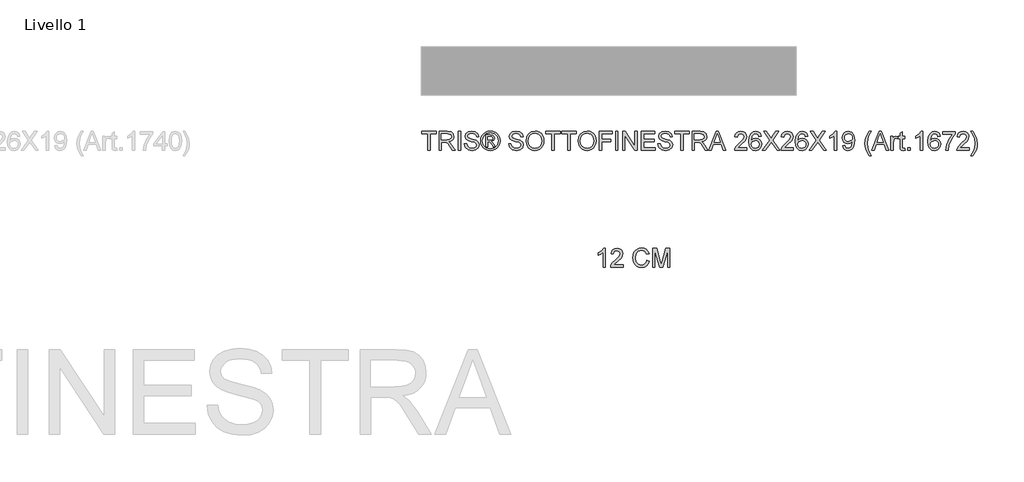
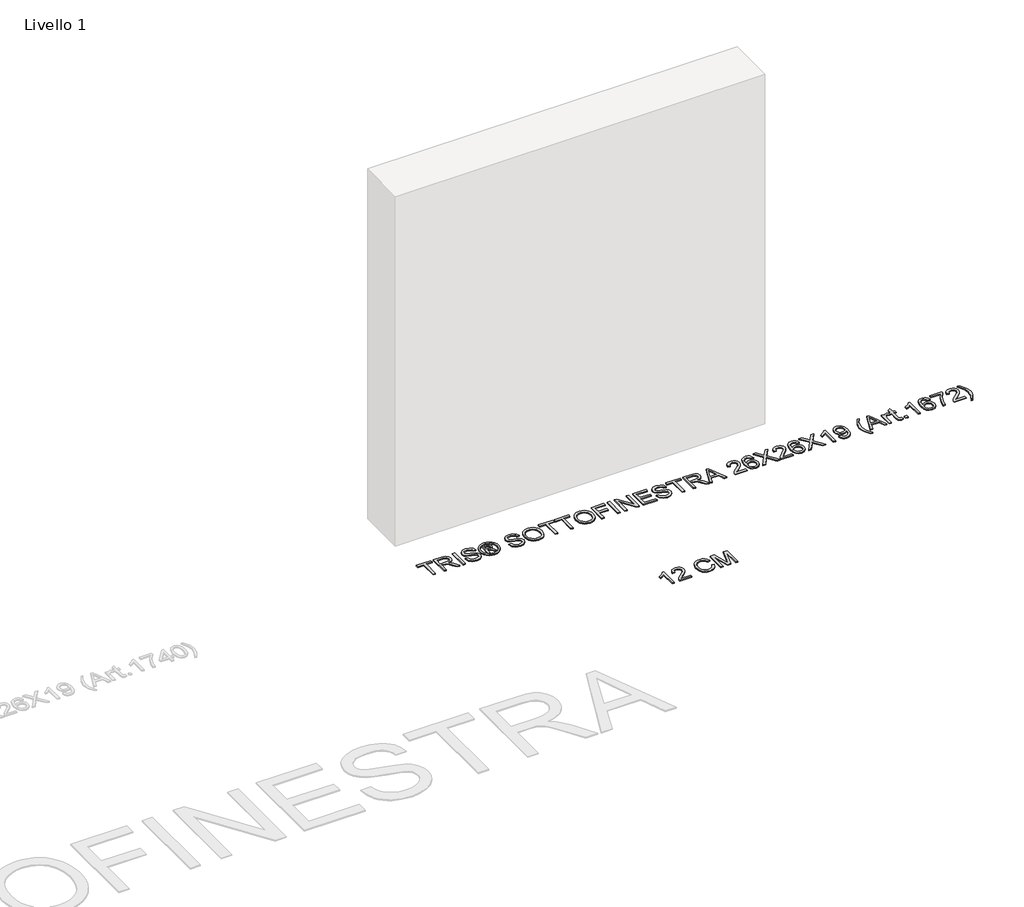
# One storey, part 19 of 19: 2 proxies.
"""IFC4 building model written with IfcOpenShell, lengths in millimetres."""

from ifc_helpers import new_model, si_unit, origin, origin_with_axes, place, context, project, spatial, polyline, outline, extrude, element, save

model = new_model("IFC4")

# Units and contexts
model_context = context("Model", 3, world=origin())
ifc_project = project(units=[si_unit("LENGTHUNIT", "METRE", prefix="MILLI")], contexts=[model_context])

# Site, building, storey
site = spatial("IfcSite", under=ifc_project)
building = spatial("IfcBuilding", under=site)
storey = spatial("IfcBuildingStorey", under=building, Name="Livello 1", Elevation=0.0)

# Proxies
placement = place(None, origin())
element("IfcBuildingElementProxy", 1, Name="100", ObjectType="100", at=placement, inside=storey, context=model_context, shape_type="SweptSolid", body=[
    extrude(outline(polyline([(3099.3895792, 5626.2547253), (3099.3895792, 5714.1539967), (3066.4273524, 5714.1539967), (3066.4273524, 5726.7110355), (3144.9088447, 5726.7110355), (3144.9088447, 5714.1539967), (3111.946618, 5714.1539967), (3111.946618, 5626.2547253), (3099.3895792, 5626.2547253)])), origin_with_axes(), (0.0, 0.0, 1.0), 5.0),
    extrude(outline(polyline([(3159.0355134, 5626.2547253), (3159.0355134, 5726.7110355), (3202.3229615, 5726.7110355), (3222.4215811, 5724.0009714), (3233.40899, 5714.4115141), (3237.5170057, 5699.2179877), (3235.8155514, 5689.321962), (3230.7111888, 5681.1181935), (3222.0506334, 5675.1033229), (3209.6806014, 5671.7739909), (3216.8175121, 5666.4029137), (3226.9955806, 5653.477993), (3243.7464741, 5626.2547253), (3229.1538216, 5626.2547253), (3216.0817481, 5647.0768463), (3206.6394435, 5660.8601583), (3200.0053049, 5667.3716697), (3194.0333538, 5669.7629026), (3186.7492903, 5670.204361), (3171.5925521, 5670.204361), (3171.5925521, 5626.2547253), (3159.0355134, 5626.2547253)]), holes=[polyline([(3171.5925521, 5682.7613998), (3199.6987366, 5682.7613998), (3214.0338716, 5684.5394961), (3222.1763265, 5690.2294043), (3224.9599669, 5698.7520038), (3219.6502034, 5709.8129892), (3202.8625217, 5714.1539967), (3171.5925521, 5714.1539967), (3171.5925521, 5682.7613998)])]), origin_with_axes(), (0.0, 0.0, 1.0), 5.0),
    extrude(outline(polyline([(3261.0614534, 5626.2547253), (3261.0614534, 5726.7110355), (3273.6184921, 5726.7110355), (3273.6184921, 5626.2547253), (3261.0614534, 5626.2547253)])), origin_with_axes(), (0.0, 0.0, 1.0), 5.0),
    extrude(outline(polyline([(3294.0236801, 5660.7865819), (3306.5807189, 5660.7865819), (3310.6274208, 5648.2172804), (3320.5111838, 5640.2710293), (3335.5698201, 5637.2421342), (3348.6909446, 5639.5352654), (3357.1644932, 5645.8383102), (3359.9481337, 5654.2628079), (3357.863469, 5662.0986944), (3349.3286067, 5667.8008653), (3331.0448716, 5672.595594), (3311.3631848, 5678.7882742), (3300.6823442, 5688.1324769), (3297.1629398, 5700.6159393), (3301.5162101, 5714.828447), (3314.2326644, 5724.8593628), (3332.8474933, 5728.2806653), (3352.7131211, 5724.6999472), (3365.9568729, 5714.1785222), (3370.9355426, 5698.4576982), (3358.3785038, 5698.4576982), (3356.07311, 5705.9502282), (3351.2661186, 5711.3580935), (3333.3380027, 5715.7236266), (3315.3608358, 5711.4071445), (3309.7199786, 5700.9838213), (3313.7176296, 5692.2772807), (3334.2209195, 5685.2629974), (3356.440992, 5678.9599525), (3368.5933605, 5668.781884), (3372.5051724, 5654.581639), (3368.0047494, 5639.5597908), (3355.0553031, 5628.5969074), (3336.0603294, 5624.6850955), (3313.6317905, 5628.9034757), (3299.4438082, 5641.6076673), (3294.0236801, 5660.7865819)])), origin_with_axes(), (0.0, 0.0, 1.0), 5.0),
    extrude(outline(polyline([(3408.6066589, 5645.0902835), (3408.6066589, 5707.8754773), (3428.8892196, 5707.8754773), (3443.9478559, 5706.1464319), (3451.3668095, 5700.1131672), (3454.1259244, 5690.9529055), (3449.367984, 5679.0335289), (3436.7618942, 5673.3436207), (3441.6669875, 5670.0081573), (3450.2263753, 5657.475644), (3457.2651841, 5645.0902835), (3446.6701827, 5645.0902835), (3441.1519527, 5655.0476228), (3431.9058519, 5669.468597), (3423.8860244, 5671.7739909), (3418.024438, 5671.7739909), (3418.024438, 5645.0902835), (3408.6066589, 5645.0902835)]), holes=[polyline([(3418.024438, 5681.1917699), (3429.9438146, 5681.1917699), (3441.5934111, 5683.5830029), (3444.7081453, 5689.922836), (3443.2120919, 5694.4845727), (3439.0550254, 5697.4766796), (3429.1835251, 5698.4576982), (3418.024438, 5698.4576982), (3418.024438, 5681.1917699)])]), origin_with_axes(), (0.0, 0.0, 1.0), 5.0),
    extrude(outline(polyline([(3432.175632, 5728.2806653), (3445.069896, 5726.6068022), (3457.6575916, 5721.585213), (3468.7155112, 5713.4488896), (3477.0204473, 5702.4308238), (3482.2167804, 5689.7082381), (3483.9488915, 5676.4583549), (3482.2413059, 5663.3249677), (3477.1185491, 5650.7066153), (3468.9147806, 5639.7284034), (3457.9641599, 5631.5154379), (3445.3550045, 5626.3926811), (3432.175632, 5624.6850955), (3419.0146537, 5626.3926811), (3406.4116296, 5631.5154379), (3395.4518119, 5639.7284034), (3387.2204522, 5650.7066153), (3382.0701043, 5663.3249677), (3380.3533217, 5676.4583549), (3382.0946298, 5689.7082381), (3387.3185541, 5702.4308238), (3395.6510813, 5713.4488896), (3406.718198, 5721.585213), (3419.2997622, 5726.6068022), (3432.175632, 5728.2806653)]), holes=[polyline([(3432.175632, 5718.8628862), (3411.3535111, 5713.3814445), (3402.3250738, 5706.7197147), (3395.4977971, 5697.6974088), (3389.7711007, 5676.4583549), (3395.3874325, 5655.4032421), (3411.1082565, 5639.7192064), (3432.175632, 5634.1028746), (3453.2552704, 5639.7192064), (3468.9393061, 5655.4032421), (3474.5311124, 5676.4583549), (3468.8412042, 5697.6974088), (3462.0323216, 5706.7197147), (3452.9854902, 5713.3814445), (3432.175632, 5718.8628862)])]), origin_with_axes(), (0.0, 0.0, 1.0), 5.0),
    extrude(outline(polyline([(3529.468157, 5660.7865819), (3542.0251958, 5660.7865819), (3546.0718977, 5648.2172804), (3555.9556607, 5640.2710293), (3571.014297, 5637.2421342), (3584.1354215, 5639.5352654), (3592.6089701, 5645.8383102), (3595.3926106, 5654.2628079), (3593.3079459, 5662.0986944), (3584.7730836, 5667.8008653), (3566.4893485, 5672.595594), (3546.8076617, 5678.7882742), (3536.1268211, 5688.1324769), (3532.6074167, 5700.6159393), (3536.960687, 5714.828447), (3549.6771413, 5724.8593628), (3568.2919703, 5728.2806653), (3588.157598, 5724.6999472), (3601.4013498, 5714.1785222), (3606.3800195, 5698.4576982), (3593.8229807, 5698.4576982), (3591.5175869, 5705.9502282), (3586.7105955, 5711.3580935), (3568.7824796, 5715.7236266), (3550.8053128, 5711.4071445), (3545.1644555, 5700.9838213), (3549.1621065, 5692.2772807), (3569.6653964, 5685.2629974), (3591.8854689, 5678.9599525), (3604.0378375, 5668.781884), (3607.9496493, 5654.581639), (3603.4492263, 5639.5597908), (3590.49978, 5628.5969074), (3571.5048063, 5624.6850955), (3549.0762674, 5628.9034757), (3534.8882851, 5641.6076673), (3529.468157, 5660.7865819)])), origin_with_axes(), (0.0, 0.0, 1.0), 5.0),
    extrude(outline(polyline([(3622.076318, 5675.1585052), (3625.4240441, 5697.3724464), (3635.4672226, 5714.1785222), (3650.8017704, 5724.7551295), (3670.0236047, 5728.2806653), (3683.1999115, 5726.6251963), (3695.0150549, 5721.6587894), (3704.8252414, 5713.7309324), (3711.9866776, 5703.1911133), (3716.3644733, 5690.5482354), (3717.8237386, 5676.3112021), (3716.2878312, 5661.8840966), (3711.6801092, 5649.063409), (3704.2550243, 5638.5051958), (3694.2670281, 5630.865513), (3682.5530523, 5626.2301999), (3669.9500283, 5624.6850955), (3656.5713864, 5626.3926811), (3644.6887979, 5631.5154379), (3634.9031369, 5639.5904477), (3627.8152771, 5650.1547923), (3622.076318, 5675.1585052)]), holes=[polyline([(3634.6333567, 5675.0358779), (3637.1441513, 5659.3211853), (3644.6765352, 5647.3466264), (3655.9981036, 5639.7682573), (3669.8764519, 5637.2421342), (3683.9571352, 5639.7927827), (3695.2970977, 5647.4447282), (3702.7742993, 5659.7871692), (3705.2666998, 5676.409304), (3700.9992687, 5697.1333231), (3688.528069, 5710.8553215), (3670.0971811, 5715.7236266), (3656.5897805, 5713.3783788), (3645.1057309, 5706.3426357), (3637.2514503, 5693.8254508), (3634.6333567, 5675.0358779)])]), origin_with_axes(), (0.0, 0.0, 1.0), 5.0),
    extrude(outline(polyline([(3760.2037444, 5626.2547253), (3760.2037444, 5714.1539967), (3727.2415176, 5714.1539967), (3727.2415176, 5726.7110355), (3805.7230099, 5726.7110355), (3805.7230099, 5714.1539967), (3772.7607832, 5714.1539967), (3772.7607832, 5626.2547253), (3760.2037444, 5626.2547253)])), origin_with_axes(), (0.0, 0.0, 1.0), 5.0),
    extrude(outline(polyline([(3844.9637561, 5626.2547253), (3844.9637561, 5714.1539967), (3812.0015293, 5714.1539967), (3812.0015293, 5726.7110355), (3890.4830216, 5726.7110355), (3890.4830216, 5714.1539967), (3857.5207949, 5714.1539967), (3857.5207949, 5626.2547253), (3844.9637561, 5626.2547253)])), origin_with_axes(), (0.0, 0.0, 1.0), 5.0),
    extrude(outline(polyline([(3899.9008007, 5675.1585052), (3903.2485269, 5697.3724464), (3913.2917053, 5714.1785222), (3928.6262532, 5724.7551295), (3947.8480874, 5728.2806653), (3961.0243942, 5726.6251963), (3972.8395376, 5721.6587894), (3982.6497242, 5713.7309324), (3989.8111603, 5703.1911133), (3994.1889561, 5690.5482354), (3995.6482213, 5676.3112021), (3994.112314, 5661.8840966), (3989.504592, 5649.063409), (3982.0795071, 5638.5051958), (3972.0915109, 5630.865513), (3960.377535, 5626.2301999), (3947.774511, 5624.6850955), (3934.3958691, 5626.3926811), (3922.5132807, 5631.5154379), (3912.7276196, 5639.5904477), (3905.6397598, 5650.1547923), (3899.9008007, 5675.1585052)]), holes=[polyline([(3912.4578395, 5675.0358779), (3914.9686341, 5659.3211853), (3922.5010179, 5647.3466264), (3933.8225863, 5639.7682573), (3947.7009346, 5637.2421342), (3961.781618, 5639.7927827), (3973.1215805, 5647.4447282), (3980.598782, 5659.7871692), (3983.0911826, 5676.409304), (3978.8237514, 5697.1333231), (3966.3525518, 5710.8553215), (3947.9216638, 5715.7236266), (3934.4142632, 5713.3783788), (3922.9302136, 5706.3426357), (3915.075933, 5693.8254508), (3912.4578395, 5675.0358779)])]), origin_with_axes(), (0.0, 0.0, 1.0), 5.0),
    extrude(outline(polyline([(4012.9141496, 5626.2547253), (4012.9141496, 5726.7110355), (4080.408233, 5726.7110355), (4080.408233, 5714.1539967), (4025.4711884, 5714.1539967), (4025.4711884, 5684.3310296), (4072.5600838, 5684.3310296), (4072.5600838, 5671.7739909), (4025.4711884, 5671.7739909), (4025.4711884, 5626.2547253), (4012.9141496, 5626.2547253)])), origin_with_axes(), (0.0, 0.0, 1.0), 5.0),
    extrude(outline(polyline([(4099.2437912, 5626.2547253), (4099.2437912, 5726.7110355), (4111.8008299, 5726.7110355), (4111.8008299, 5626.2547253), (4099.2437912, 5626.2547253)])), origin_with_axes(), (0.0, 0.0, 1.0), 5.0),
    extrude(outline(polyline([(4136.9149075, 5626.2547253), (4136.9149075, 5726.7110355), (4150.354863, 5726.7110355), (4202.839361, 5647.1258972), (4202.839361, 5726.7110355), (4215.3963998, 5726.7110355), (4215.3963998, 5626.2547253), (4201.9564442, 5626.2547253), (4149.4719462, 5705.8643891), (4149.4719462, 5626.2547253), (4136.9149075, 5626.2547253)])), origin_with_axes(), (0.0, 0.0, 1.0), 5.0),
    extrude(outline(polyline([(4237.3712176, 5626.2547253), (4237.3712176, 5726.7110355), (4309.5741905, 5726.7110355), (4309.5741905, 5714.1539967), (4249.9282564, 5714.1539967), (4249.9282564, 5684.3310296), (4306.4349308, 5684.3310296), (4306.4349308, 5671.7739909), (4249.9282564, 5671.7739909), (4249.9282564, 5638.8117641), (4311.1438204, 5638.8117641), (4311.1438204, 5626.2547253), (4237.3712176, 5626.2547253)])), origin_with_axes(), (0.0, 0.0, 1.0), 5.0),
    extrude(outline(polyline([(4325.270489, 5660.7865819), (4337.8275278, 5660.7865819), (4341.8742297, 5648.2172804), (4351.7579927, 5640.2710293), (4366.816629, 5637.2421342), (4379.9377535, 5639.5352654), (4388.4113021, 5645.8383102), (4391.1949425, 5654.2628079), (4389.1102779, 5662.0986944), (4380.5754156, 5667.8008653), (4362.2916804, 5672.595594), (4342.6099937, 5678.7882742), (4331.9291531, 5688.1324769), (4328.4097487, 5700.6159393), (4332.763019, 5714.828447), (4345.4794733, 5724.8593628), (4364.0943022, 5728.2806653), (4383.95993, 5724.6999472), (4397.2036818, 5714.1785222), (4402.1823515, 5698.4576982), (4389.6253127, 5698.4576982), (4387.3199189, 5705.9502282), (4382.5129274, 5711.3580935), (4364.5848116, 5715.7236266), (4346.6076447, 5711.4071445), (4340.9667875, 5700.9838213), (4344.9644385, 5692.2772807), (4365.4677283, 5685.2629974), (4387.6878008, 5678.9599525), (4399.8401694, 5668.781884), (4403.7519813, 5654.581639), (4399.2515582, 5639.5597908), (4386.302112, 5628.5969074), (4367.3071383, 5624.6850955), (4344.8785993, 5628.9034757), (4330.6906171, 5641.6076673), (4325.270489, 5660.7865819)])), origin_with_axes(), (0.0, 0.0, 1.0), 5.0),
    extrude(outline(polyline([(4447.701617, 5626.2547253), (4447.701617, 5714.1539967), (4414.7393902, 5714.1539967), (4414.7393902, 5726.7110355), (4493.2208825, 5726.7110355), (4493.2208825, 5714.1539967), (4460.2586558, 5714.1539967), (4460.2586558, 5626.2547253), (4447.701617, 5626.2547253)])), origin_with_axes(), (0.0, 0.0, 1.0), 5.0),
    extrude(outline(polyline([(4507.3475511, 5626.2547253), (4507.3475511, 5726.7110355), (4550.6349992, 5726.7110355), (4570.7336189, 5724.0009714), (4581.7210278, 5714.4115141), (4585.8290435, 5699.2179877), (4584.1275892, 5689.321962), (4579.0232265, 5681.1181935), (4570.3626712, 5675.1033229), (4557.9926391, 5671.7739909), (4565.1295499, 5666.4029137), (4575.3076184, 5653.477993), (4592.0585119, 5626.2547253), (4577.4658594, 5626.2547253), (4564.3937859, 5647.0768463), (4554.9514813, 5660.8601583), (4548.3173427, 5667.3716697), (4542.3453916, 5669.7629026), (4535.0613281, 5670.204361), (4519.9045899, 5670.204361), (4519.9045899, 5626.2547253), (4507.3475511, 5626.2547253)]), holes=[polyline([(4519.9045899, 5682.7613998), (4548.0107743, 5682.7613998), (4562.3459094, 5684.5394961), (4570.4883643, 5690.2294043), (4573.2720047, 5698.7520038), (4567.9622412, 5709.8129892), (4551.1745595, 5714.1539967), (4519.9045899, 5714.1539967), (4519.9045899, 5682.7613998)])]), origin_with_axes(), (0.0, 0.0, 1.0), 5.0),
    extrude(outline(polyline([(4596.1052138, 5626.2547253), (4636.2043513, 5726.7110355), (4646.8974546, 5726.7110355), (4686.9965921, 5626.2547253), (4673.7283148, 5626.2547253), (4662.2258711, 5657.6473222), (4620.8514094, 5657.6473222), (4609.3734911, 5626.2547253), (4596.1052138, 5626.2547253)]), holes=[polyline([(4625.4621971, 5670.204361), (4657.6396089, 5670.204361), (4648.5897118, 5694.9015056), (4641.550903, 5714.1539967), (4635.2969091, 5697.0597467), (4625.4621971, 5670.204361)])]), origin_with_axes(), (0.0, 0.0, 1.0), 5.0),
    extrude(outline(polyline([(4799.2987025, 5638.8117641), (4799.2987025, 5626.2547253), (4733.374249, 5626.2547253), (4734.7231496, 5634.9122149), (4742.3505697, 5648.2418059), (4758.0713936, 5662.7976702), (4779.7519058, 5683.717893), (4785.1720339, 5697.9426635), (4780.0584742, 5709.4573699), (4766.7043577, 5714.1539967), (4752.7861556, 5709.5677345), (4747.5009176, 5696.8880684), (4734.9438788, 5698.4576982), (4737.9881023, 5710.6039355), (4744.5701244, 5719.4760229), (4754.3465884, 5724.9022823), (4766.9741379, 5726.7110355), (4779.6936579, 5724.6999472), (4789.4517278, 5718.6666825), (4795.6597364, 5709.6535736), (4797.7290727, 5698.7029529), (4795.4972552, 5686.795839), (4788.0783017, 5674.4840549), (4770.0888721, 5657.2794403), (4755.6433724, 5645.2006481), (4749.9779897, 5638.8117641), (4799.2987025, 5638.8117641)])), origin_with_axes(), (0.0, 0.0, 1.0), 5.0),
    extrude(outline(polyline([(4876.210565, 5700.0273281), (4863.6535262, 5698.4576982), (4858.8955857, 5708.9300724), (4846.3140215, 5714.1539967), (4834.9832561, 5711.1128389), (4826.4116056, 5699.6962343), (4822.8431502, 5677.3167463), (4833.9163983, 5687.3353993), (4847.6383967, 5690.609549), (4859.2389423, 5688.3716002), (4868.9755524, 5681.6577538), (4875.5790342, 5671.3999775), (4877.7801948, 5658.530239), (4873.635391, 5641.2029971), (4862.2310492, 5628.9402639), (4845.7744612, 5624.6850955), (4831.528231, 5627.5055241), (4820.1821371, 5635.96681), (4812.7601179, 5650.902819), (4810.2861114, 5673.147417), (4813.0329637, 5698.1572613), (4821.2735204, 5715.2576427), (4832.524578, 5723.8476873), (4847.0988364, 5726.7110355), (4858.1169022, 5724.9390705), (4866.9399387, 5719.6231757), (4873.1203562, 5711.1802839), (4876.210565, 5700.0273281)]), holes=[polyline([(4822.8431502, 5658.7264428), (4825.749418, 5647.8493984), (4833.4749399, 5639.9521983), (4844.7934426, 5637.2421342), (4853.0799845, 5638.6462172), (4859.5945615, 5642.858466), (4863.8160074, 5649.480342), (4865.2231561, 5658.1133061), (4863.8344015, 5666.3998481), (4859.6681379, 5672.7182213), (4853.0431963, 5676.718938), (4844.2784078, 5678.0525102), (4829.0848814, 5672.7182213), (4824.403583, 5666.5531322), (4822.8431502, 5658.7264428)])]), origin_with_axes(), (0.0, 0.0, 1.0), 5.0),
    extrude(outline(polyline([(4882.4890844, 5626.2547253), (4921.2147957, 5680.9955662), (4888.7676037, 5726.7110355), (4903.8262401, 5726.7110355), (4922.0977125, 5700.9838213), (4928.2536046, 5690.9529055), (4935.4640917, 5701.1554995), (4953.5393604, 5726.7110355), (4968.8187259, 5726.7110355), (4936.3715339, 5680.8484134), (4975.0972453, 5626.2547253), (4960.0386089, 5626.2547253), (4934.2378183, 5662.6505174), (4928.8667412, 5670.204361), (4922.9561038, 5661.9147534), (4897.7684499, 5626.2547253), (4882.4890844, 5626.2547253)])), origin_with_axes(), (0.0, 0.0, 1.0), 5.0),
    extrude(outline(polyline([(5047.3002182, 5638.8117641), (5047.3002182, 5626.2547253), (4981.3757647, 5626.2547253), (4982.7246653, 5634.9122149), (4990.3520853, 5648.2418059), (5006.0729093, 5662.7976702), (5027.7534215, 5683.717893), (5033.1735496, 5697.9426635), (5028.0599899, 5709.4573699), (5014.7058734, 5714.1539967), (5000.7876713, 5709.5677345), (4995.5024333, 5696.8880684), (4982.9453945, 5698.4576982), (4985.989618, 5710.6039355), (4992.5716401, 5719.4760229), (5002.3481041, 5724.9022823), (5014.9756536, 5726.7110355), (5027.6951735, 5724.6999472), (5037.4532435, 5718.6666825), (5043.6612521, 5709.6535736), (5045.7305884, 5698.7029529), (5043.4987709, 5686.795839), (5036.0798173, 5674.4840549), (5018.0903878, 5657.2794403), (5003.6448881, 5645.2006481), (4997.9795054, 5638.8117641), (5047.3002182, 5638.8117641)])), origin_with_axes(), (0.0, 0.0, 1.0), 5.0),
    extrude(outline(polyline([(5124.2120807, 5700.0273281), (5111.6550419, 5698.4576982), (5106.8971014, 5708.9300724), (5094.3155372, 5714.1539967), (5082.9847717, 5711.1128389), (5074.4131212, 5699.6962343), (5070.8446659, 5677.3167463), (5081.9179139, 5687.3353993), (5095.6399124, 5690.609549), (5107.2404579, 5688.3716002), (5116.9770681, 5681.6577538), (5123.5805499, 5671.3999775), (5125.7817105, 5658.530239), (5121.6369067, 5641.2029971), (5110.2325648, 5628.9402639), (5093.7759769, 5624.6850955), (5079.5297467, 5627.5055241), (5068.1836528, 5635.96681), (5060.7616335, 5650.902819), (5058.2876271, 5673.147417), (5061.0344794, 5698.1572613), (5069.275036, 5715.2576427), (5080.5260937, 5723.8476873), (5095.1003521, 5726.7110355), (5106.1184179, 5724.9390705), (5114.9414544, 5719.6231757), (5121.1218719, 5711.1802839), (5124.2120807, 5700.0273281)]), holes=[polyline([(5070.8446659, 5658.7264428), (5073.7509337, 5647.8493984), (5081.4764556, 5639.9521983), (5092.7949583, 5637.2421342), (5101.0815002, 5638.6462172), (5107.5960772, 5642.858466), (5111.8175231, 5649.480342), (5113.2246717, 5658.1133061), (5111.8359172, 5666.3998481), (5107.6696536, 5672.7182213), (5101.044712, 5676.718938), (5092.2799235, 5678.0525102), (5077.0863971, 5672.7182213), (5072.4050987, 5666.5531322), (5070.8446659, 5658.7264428)])]), origin_with_axes(), (0.0, 0.0, 1.0), 5.0),
    extrude(outline(polyline([(5130.4906, 5626.2547253), (5169.2163114, 5680.9955662), (5136.7691194, 5726.7110355), (5151.8277558, 5726.7110355), (5170.0992282, 5700.9838213), (5176.2551202, 5690.9529055), (5183.4656073, 5701.1554995), (5201.540876, 5726.7110355), (5216.8202416, 5726.7110355), (5184.3730496, 5680.8484134), (5223.098761, 5626.2547253), (5208.0401246, 5626.2547253), (5182.239334, 5662.6505174), (5176.8682569, 5670.204361), (5170.9576195, 5661.9147534), (5145.7699656, 5626.2547253), (5130.4906, 5626.2547253)])), origin_with_axes(), (0.0, 0.0, 1.0), 5.0),
    extrude(outline(polyline([(5278.0358056, 5626.2547253), (5265.4787668, 5626.2547253), (5265.4787668, 5704.5400139), (5253.5839156, 5696.0664653), (5240.3646893, 5689.7266322), (5240.3646893, 5701.5969579), (5258.7710518, 5713.3446563), (5269.9424017, 5726.7110355), (5278.0358056, 5726.7110355), (5278.0358056, 5626.2547253)])), origin_with_axes(), (0.0, 0.0, 1.0), 5.0),
    extrude(outline(polyline([(5309.4284025, 5651.3688029), (5321.9854413, 5652.9384327), (5327.6262985, 5640.9577424), (5338.3194019, 5637.2421342), (5348.4852077, 5639.6333672), (5355.3768637, 5646.0222512), (5359.4848793, 5656.9360837), (5361.2997638, 5671.5042107), (5361.2261874, 5673.9567574), (5351.1830089, 5664.4408764), (5337.4119596, 5660.7865819), (5325.9616325, 5663.0183994), (5316.4304231, 5669.7138517), (5310.0016853, 5680.0574671), (5307.8587727, 5693.2337739), (5310.1059185, 5706.8454077), (5316.8473561, 5717.5139856), (5326.973308, 5724.411773), (5339.3739969, 5726.7110355), (5357.2653246, 5721.4625857), (5369.5771087, 5706.5020512), (5373.7832262, 5678.3958668), (5369.5893714, 5647.8984494), (5364.3746442, 5637.9073875), (5357.1181718, 5630.6202583), (5348.1326541, 5626.1688862), (5337.7307907, 5624.6850955), (5326.9947678, 5626.4356006), (5318.4292486, 5631.6871161), (5312.4389035, 5640.1085481), (5309.4284025, 5651.3688029)]), holes=[polyline([(5361.2261874, 5693.5280795), (5359.8711554, 5702.0384163), (5355.8060594, 5708.5867158), (5349.4968831, 5712.7621765), (5341.4096106, 5714.1539967), (5333.0219011, 5712.6548776), (5326.3019233, 5708.1575202), (5321.8873394, 5701.2750612), (5320.4158114, 5692.6206373), (5321.8076316, 5684.8613928), (5325.9830923, 5678.7024351), (5332.5375232, 5674.6833243), (5341.0662541, 5673.3436207), (5355.548542, 5678.7024351), (5359.8067761, 5685.0882534), (5361.2261874, 5693.5280795)])]), origin_with_axes(), (0.0, 0.0, 1.0), 5.0),
    extrude(outline(polyline([(5452.2647185, 5598.0013881), (5434.4347045, 5627.4564732), (5428.9716568, 5644.6365624), (5427.150641, 5662.4297882), (5432.5952945, 5692.9639938), (5452.2647185, 5726.7110355), (5461.6824976, 5726.7110355), (5449.9347992, 5706.8208823), (5442.8714649, 5687.5438657), (5439.7076797, 5662.3562118), (5445.2013842, 5630.1665372), (5461.6824976, 5598.0013881), (5452.2647185, 5598.0013881)])), origin_with_axes(), (0.0, 0.0, 1.0), 5.0),
    extrude(outline(polyline([(5464.1105187, 5626.2547253), (5504.2096562, 5726.7110355), (5514.9027595, 5726.7110355), (5555.001897, 5626.2547253), (5541.7336197, 5626.2547253), (5530.231176, 5657.6473222), (5488.8567143, 5657.6473222), (5477.378796, 5626.2547253), (5464.1105187, 5626.2547253)]), holes=[polyline([(5493.467502, 5670.204361), (5525.6449138, 5670.204361), (5516.5950167, 5694.9015056), (5509.5562079, 5714.1539967), (5503.302214, 5697.0597467), (5493.467502, 5670.204361)])]), origin_with_axes(), (0.0, 0.0, 1.0), 5.0),
    extrude(outline(polyline([(5566.8476973, 5626.2547253), (5566.8476973, 5700.0273281), (5577.8351062, 5700.0273281), (5577.8351062, 5689.1134956), (5585.6342045, 5699.1689368), (5593.4823537, 5701.5969579), (5606.0884434, 5697.7219343), (5601.8945887, 5686.4647452), (5593.0654208, 5689.0399192), (5585.9652983, 5686.5628471), (5581.4403497, 5679.6957165), (5579.404736, 5665.0294876), (5579.404736, 5626.2547253), (5566.8476973, 5626.2547253)])), origin_with_axes(), (0.0, 0.0, 1.0), 5.0),
    extrude(outline(polyline([(5640.6203, 5636.7270995), (5642.1899299, 5625.8868433), (5632.7966763, 5624.6850955), (5622.2752512, 5626.7697601), (5617.0268014, 5632.2389391), (5615.5062225, 5646.4882351), (5615.5062225, 5687.4702893), (5606.0884434, 5687.4702893), (5606.0884434, 5700.0273281), (5615.5062225, 5700.0273281), (5615.5062225, 5717.955444), (5628.0632613, 5725.3376094), (5628.0632613, 5700.0273281), (5640.6203, 5700.0273281), (5640.6203, 5687.4702893), (5628.0632613, 5687.4702893), (5628.0632613, 5646.8561171), (5628.7254488, 5640.3813939), (5630.8714271, 5638.0882628), (5635.151121, 5637.2421342), (5640.6203, 5636.7270995)])), origin_with_axes(), (0.0, 0.0, 1.0), 5.0),
    extrude(outline(polyline([(5656.3165985, 5626.2547253), (5656.3165985, 5638.8117641), (5668.8736373, 5638.8117641), (5668.8736373, 5626.2547253), (5656.3165985, 5626.2547253)])), origin_with_axes(), (0.0, 0.0, 1.0), 5.0),
    extrude(outline(polyline([(5736.3677206, 5626.2547253), (5723.8106819, 5626.2547253), (5723.8106819, 5704.5400139), (5711.9158307, 5696.0664653), (5698.6966043, 5689.7266322), (5698.6966043, 5701.5969579), (5717.1029668, 5713.3446563), (5728.2743167, 5726.7110355), (5736.3677206, 5726.7110355), (5736.3677206, 5626.2547253)])), origin_with_axes(), (0.0, 0.0, 1.0), 5.0),
    extrude(outline(polyline([(5830.5455114, 5700.0273281), (5817.9884726, 5698.4576982), (5813.2305322, 5708.9300724), (5800.6489679, 5714.1539967), (5789.3182025, 5711.1128389), (5780.746552, 5699.6962343), (5777.1780966, 5677.3167463), (5788.2513447, 5687.3353993), (5801.9733431, 5690.609549), (5813.5738887, 5688.3716002), (5823.3104988, 5681.6577538), (5829.9139806, 5671.3999775), (5832.1151412, 5658.530239), (5827.9703374, 5641.2029971), (5816.5659956, 5628.9402639), (5800.1094077, 5624.6850955), (5785.8631774, 5627.5055241), (5774.5170835, 5635.96681), (5767.0950643, 5650.902819), (5764.6210579, 5673.147417), (5767.3679101, 5698.1572613), (5775.6084668, 5715.2576427), (5786.8595245, 5723.8476873), (5801.4337828, 5726.7110355), (5812.4518486, 5724.9390705), (5821.2748851, 5719.6231757), (5827.4553026, 5711.1802839), (5830.5455114, 5700.0273281)]), holes=[polyline([(5777.1780966, 5658.7264428), (5780.0843644, 5647.8493984), (5787.8098863, 5639.9521983), (5799.128389, 5637.2421342), (5807.414931, 5638.6462172), (5813.9295079, 5642.858466), (5818.1509538, 5649.480342), (5819.5581025, 5658.1133061), (5818.1693479, 5666.3998481), (5814.0030843, 5672.7182213), (5807.3781428, 5676.718938), (5798.6133542, 5678.0525102), (5783.4198278, 5672.7182213), (5778.7385294, 5666.5531322), (5777.1780966, 5658.7264428)])]), origin_with_axes(), (0.0, 0.0, 1.0), 5.0),
    extrude(outline(polyline([(5843.1025502, 5712.5843669), (5843.1025502, 5725.1414056), (5909.0270037, 5725.1414056), (5909.0270037, 5714.9878626), (5890.3263356, 5687.9730614), (5876.015726, 5653.5515694), (5871.3558874, 5626.2547253), (5858.7988486, 5626.2547253), (5863.789781, 5654.581639), (5877.487254, 5686.5996353), (5896.4699649, 5712.5843669), (5843.1025502, 5712.5843669)])), origin_with_axes(), (0.0, 0.0, 1.0), 5.0),
    extrude(outline(polyline([(5984.3692363, 5638.8117641), (5984.3692363, 5626.2547253), (5918.4447828, 5626.2547253), (5919.7936834, 5634.9122149), (5927.4211035, 5648.2418059), (5943.1419274, 5662.7976702), (5964.8224396, 5683.717893), (5970.2425677, 5697.9426635), (5965.129008, 5709.4573699), (5951.7748915, 5714.1539967), (5937.8566894, 5709.5677345), (5932.5714514, 5696.8880684), (5920.0144126, 5698.4576982), (5923.0586361, 5710.6039355), (5929.6406582, 5719.4760229), (5939.4171222, 5724.9022823), (5952.0446717, 5726.7110355), (5964.7641917, 5724.6999472), (5974.5222616, 5718.6666825), (5980.7302702, 5709.6535736), (5982.7996065, 5698.7029529), (5980.567789, 5686.795839), (5973.1488355, 5674.4840549), (5955.1594059, 5657.2794403), (5940.7139062, 5645.2006481), (5935.0485235, 5638.8117641), (5984.3692363, 5638.8117641)])), origin_with_axes(), (0.0, 0.0, 1.0), 5.0),
    extrude(outline(polyline([(6003.2047945, 5598.0013881), (5993.7870154, 5598.0013881), (6010.2681288, 5630.1665372), (6015.7618332, 5662.3562118), (6012.5980481, 5687.3231365), (6005.6082902, 5706.6246785), (5993.7870154, 5726.7110355), (6003.2047945, 5726.7110355), (6022.8742185, 5692.9639938), (6028.318872, 5662.4297882), (6026.4886591, 5644.6365624), (6020.9980203, 5627.4564732), (6003.2047945, 5598.0013881)])), origin_with_axes(), (0.0, 0.0, 1.0), 5.0),
])
element("IfcBuildingElementProxy", 2, Name="100", ObjectType="100", at=placement, inside=storey, context=model_context, shape_type="SweptSolid", body=[
    extrude(outline(polyline([(4045.4246884, 5003.4256456), (4032.8676497, 5003.4256456), (4032.8676497, 5081.7109342), (4020.9727985, 5073.2373856), (4007.7535721, 5066.8975525), (4007.7535721, 5078.7678783), (4026.1599346, 5090.5155766), (4037.3312845, 5103.8819558), (4045.4246884, 5103.8819558), (4045.4246884, 5003.4256456)])), origin_with_axes(), (0.0, 0.0, 1.0), 5.0),
    extrude(outline(polyline([(4139.6024792, 5015.9826844), (4139.6024792, 5003.4256456), (4073.6780257, 5003.4256456), (4075.0269263, 5012.0831353), (4082.6543463, 5025.4127262), (4098.3751703, 5039.9685905), (4120.0556825, 5060.8888133), (4125.4758106, 5075.1135838), (4120.3622509, 5086.6282902), (4107.0081344, 5091.324917), (4093.0899323, 5086.7386548), (4087.8046943, 5074.0589887), (4075.2476555, 5075.6286186), (4078.291879, 5087.7748558), (4084.8739011, 5096.6469432), (4094.6503651, 5102.0732026), (4107.2779146, 5103.8819558), (4119.9974345, 5101.8708675), (4129.7555045, 5095.8376028), (4135.9635131, 5086.8244939), (4138.0328494, 5075.8738732), (4135.8010319, 5063.9667593), (4128.3820783, 5051.6549752), (4110.3926488, 5034.4503606), (4095.9471491, 5022.3715684), (4090.2817664, 5015.9826844), (4139.6024792, 5015.9826844)])), origin_with_axes(), (0.0, 0.0, 1.0), 5.0),
    extrude(outline(polyline([(4266.7424967, 5039.1347246), (4279.2995355, 5035.8973631), (4273.5053941, 5021.2648567), (4264.4125774, 5010.5748191), (4252.4686753, 5004.0357166), (4238.1212775, 5001.8560158), (4223.5562162, 5003.5053534), (4211.9893931, 5008.4533662), (4203.123437, 5016.528376), (4196.6609767, 5027.5587045), (4191.4002641, 5054.4140902), (4192.8871205, 5069.0619249), (4197.3476897, 5081.7109342), (4204.5489798, 5091.9595135), (4214.2579988, 5099.4060582), (4225.7727052, 5103.9402038), (4238.3910576, 5105.4515856), (4252.1590413, 5103.4956797), (4263.5419234, 5097.6279619), (4272.1840846, 5088.2101828), (4277.7299057, 5075.6040931), (4265.1728669, 5072.6119862), (4254.872171, 5088.0507673), (4237.9005483, 5092.8945469), (4218.2556498, 5087.5234697), (4207.1578762, 5073.1024955), (4203.9573029, 5054.4386156), (4207.7464874, 5032.8071543), (4219.5432368, 5018.987054), (4236.8704787, 5014.4130546), (4247.3520499, 5015.9704217), (4256.0861816, 5020.642523), (4262.6804664, 5028.3803076), (4266.7424967, 5039.1347246)])), origin_with_axes(), (0.0, 0.0, 1.0), 5.0),
    extrude(outline(polyline([(4296.5654638, 5003.4256456), (4296.5654638, 5103.8819558), (4318.1723997, 5103.8819558), (4338.7247405, 5033.0769344), (4342.8695443, 5018.2880782), (4347.3577046, 5034.3032078), (4367.5666889, 5103.8819558), (4389.1736247, 5103.8819558), (4389.1736247, 5003.4256456), (4376.616586, 5003.4256456), (4376.616586, 5091.324917), (4351.3798811, 5003.4256456), (4334.3592074, 5003.4256456), (4309.1225026, 5091.324917), (4309.1225026, 5003.4256456), (4296.5654638, 5003.4256456)])), origin_with_axes(), (0.0, 0.0, 1.0), 5.0),
])

save(model, "model.ifc")
